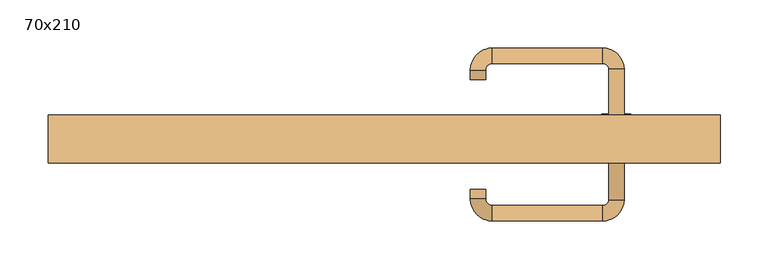
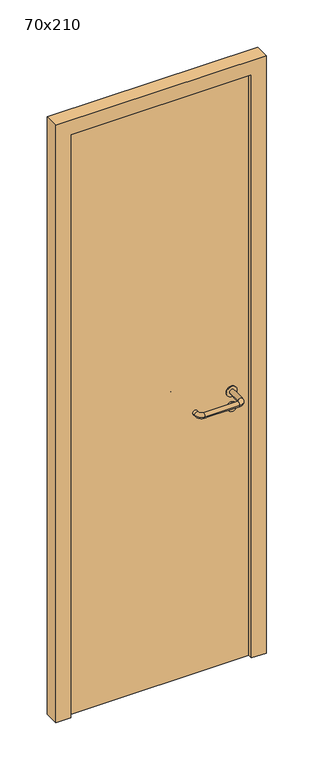
"""IFC4 building model written with IfcOpenShell, lengths in millimetres: door geometry, 70x210."""

from ifc_helpers import new_model, si_unit, point, frame, frame_2d, origin, origin_with_axes, place, context, project, spatial, polyline, circle_curve, ellipse_curve, trimmed, segment, composite_curve, outline, extrude, source, transform, mapped, element, save
from ifc_brep_helpers import plane_surface, cylinder_surface, revolved_surface, advanced_brep


def door_70x210_496524dd(model_context):
    return source(origin(), model_context, "Body", "SolidModel", [
        extrude(outline(composite_curve([segment(trimmed(circle_curve(frame_2d((897.3605726, 242.0)), 15.0), [point((897.3605726, 257.0))], [point((897.3605726, 227.0))], False, "CARTESIAN"), True, "CONTINUOUS"), segment(trimmed(circle_curve(frame_2d((897.3605726, 242.0)), 15.0), [point((897.3605726, 227.0))], [point((897.3605726, 257.0))], False, "CARTESIAN"), True, "CONTINUOUS")], self_intersect=False), holes=[composite_curve([segment(trimmed(circle_curve(frame_2d((892.5833211, 241.9398032)), 2.0), [point((892.5833211, 243.9398032))], [point((892.5833211, 239.9398032))], True, "CARTESIAN"), True, "CONTINUOUS"), segment(polyline([(892.5833211, 239.9398032), (902.5833211, 239.9398032)]), True, "CONTINUOUS"), segment(trimmed(circle_curve(frame_2d((902.5833211, 241.9398032)), 2.0), [point((902.5833211, 239.9398032))], [point((902.5833211, 243.9398032))], True, "CARTESIAN"), True, "CONTINUOUS"), segment(polyline([(902.5833211, 243.9398032), (892.5833211, 243.9398032)]), True, "CONTINUOUS")], self_intersect=False)]), frame((0.0, 33.65, 0.0), z_axis=(0.0, 1.0, 0.0), x_axis=(0.0, 0.0, 1.0)), (0.0, 0.0, 1.0), 6.35),
        extrude(outline(composite_curve([segment(trimmed(circle_curve(frame_2d((950.0, 242.0)), 17.526), [point((950.0, 259.526))], [point((950.0, 224.474))], False, "CARTESIAN"), True, "CONTINUOUS"), segment(trimmed(circle_curve(frame_2d((950.0, 242.0)), 17.526), [point((950.0, 224.474))], [point((950.0, 259.526))], False, "CARTESIAN"), True, "CONTINUOUS")], self_intersect=False)), frame((0.0, 36.825, 0.0), z_axis=(0.0, 1.0, 0.0), x_axis=(0.0, 0.0, 1.0)), (0.0, 0.0, 1.0), 3.175),
        advanced_brep(
        [(250.0, 40.0, 950.0), (234.0, 40.0, 950.0), (234.0, -13.0, 950.0), (250.0, -13.0, 950.0), (227.8578644, -19.1421356, 950.0), (227.8578644, -35.1421356, 950.0), (112.8578644, -19.1421356, 950.0), (112.8578644, -35.1421356, 950.0), (106.008622, -12.2928932, 950.0), (90.008622, -12.2928932, 950.0), (90.008622, -2.2928932, 950.0), (106.008622, -2.2928932, 950.0)],
        [
            (0, 1, circle_curve(frame((242.0, 40.0, 950.0), z_axis=(0.0, 1.0, 0.0), x_axis=(-1.0, 0.0, 0.0)), 8.0)),
            (1, 0, circle_curve(frame((242.0, 40.0, 950.0), z_axis=(0.0, 1.0, 0.0), x_axis=(-1.0, 0.0, 0.0)), 8.0)),
            (1, 2),
            (2, 3, circle_curve(frame((242.0, -13.0, 950.0), z_axis=(0.0, 1.0, 0.0), x_axis=(-1.0, 0.0, 0.0)), 8.0)),
            (3, 0),
            (3, 2, circle_curve(frame((242.0, -13.0, 950.0), z_axis=(0.0, 1.0, 0.0), x_axis=(-1.0, 0.0, 0.0)), 8.0)),
            (4, 5, circle_curve(frame((227.8578644, -27.1421356, 950.0), z_axis=(1.0, 0.0, 0.0), x_axis=(0.0, 1.0, 0.0)), 8.0)),
            (5, 3, circle_curve(frame((227.8578644, -13.0, 950.0), z_axis=(0.0, 0.0, 1.0), x_axis=(1.0, 0.0, 0.0)), 22.1421356)),
            (2, 4, circle_curve(frame((227.8578644, -13.0, 950.0), z_axis=(0.0, 0.0, -1.0), x_axis=(1.0, 0.0, 0.0)), 6.1421356)),
            (5, 4, circle_curve(frame((227.8578644, -27.1421356, 950.0), z_axis=(1.0, 0.0, 0.0), x_axis=(0.0, 1.0, 0.0)), 8.0)),
            (4, 6),
            (6, 7, circle_curve(frame((112.8578644, -27.1421356, 950.0), z_axis=(1.0, 0.0, 0.0), x_axis=(0.0, 1.0, 0.0)), 8.0)),
            (7, 5),
            (7, 6, circle_curve(frame((112.8578644, -27.1421356, 950.0), z_axis=(1.0, 0.0, 0.0), x_axis=(0.0, 1.0, 0.0)), 8.0)),
            (8, 9, circle_curve(frame((98.008622, -12.2928932, 950.0), z_axis=(0.0, -1.0, 0.0), x_axis=(1.0, 0.0, 0.0)), 8.0)),
            (9, 7, circle_curve(frame((112.8578644, -12.2928932, 950.0), z_axis=(0.0, 0.0, 1.0), x_axis=(0.0, -1.0, 0.0)), 22.8492424)),
            (6, 8, circle_curve(frame((112.8578644, -12.2928932, 950.0), z_axis=(0.0, 0.0, -1.0), x_axis=(0.0, -1.0, 0.0)), 6.8492424)),
            (9, 8, circle_curve(frame((98.008622, -12.2928932, 950.0), z_axis=(0.0, -1.0, 0.0), x_axis=(1.0, 0.0, 0.0)), 8.0)),
            (10, 11, circle_curve(frame((98.008622, -2.2928932, 950.0), z_axis=(0.0, 1.0, 0.0), x_axis=(1.0, 0.0, 0.0)), 8.0)),
            (11, 10, circle_curve(frame((98.008622, -2.2928932, 950.0), z_axis=(0.0, 1.0, 0.0), x_axis=(1.0, 0.0, 0.0)), 8.0)),
            (8, 11),
            (10, 9),
        ],
        [
            plane_surface(frame((242.0, 40.0, 170.0), z_axis=(0.0, 1.0, 0.0), x_axis=(0.0, 0.0, 1.0))),
            cylinder_surface(frame((242.0, 40.0, 950.0), z_axis=(0.0, 1.0, 0.0), x_axis=(-1.0, 0.0, 0.0)), 8.0),
            revolved_surface(trimmed(ellipse_curve(frame((242.0, -13.0, 950.0), z_axis=(0.0, -1.0, 0.0), x_axis=(-1.0, 0.0, 0.0)), 8.0, 8.0), [point((250.0, -13.0, 950.0))], [point((234.0, -13.0, 950.0))], True, "CARTESIAN"), (227.8578644, -13.0, 170.0), (0.0, 0.0, 1.0)),
            revolved_surface(trimmed(ellipse_curve(frame((242.0, -13.0, 950.0), z_axis=(0.0, -1.0, 0.0), x_axis=(-1.0, 0.0, 0.0)), 8.0, 8.0), [point((234.0, -13.0, 950.0))], [point((250.0, -13.0, 950.0))], True, "CARTESIAN"), (227.8578644, -13.0, 170.0), (0.0, 0.0, 1.0)),
            cylinder_surface(frame((227.8578644, -27.1421356, 950.0), z_axis=(1.0, 0.0, 0.0), x_axis=(0.0, 1.0, 0.0)), 8.0),
            revolved_surface(trimmed(ellipse_curve(frame((112.8578644, -27.1421356, 950.0), z_axis=(-1.0, 0.0, 0.0), x_axis=(0.0, 1.0, 0.0)), 8.0, 8.0), [point((112.8578644, -35.1421356, 950.0))], [point((112.8578644, -19.1421356, 950.0))], True, "CARTESIAN"), (112.8578644, -12.2928932, 170.0), (0.0, 0.0, 1.0)),
            revolved_surface(trimmed(ellipse_curve(frame((112.8578644, -27.1421356, 950.0), z_axis=(-1.0, 0.0, 0.0), x_axis=(0.0, 1.0, 0.0)), 8.0, 8.0), [point((112.8578644, -19.1421356, 950.0))], [point((112.8578644, -35.1421356, 950.0))], True, "CARTESIAN"), (112.8578644, -12.2928932, 170.0), (0.0, 0.0, 1.0)),
            plane_surface(frame((98.008622, -2.2928932, 170.0), z_axis=(0.0, 1.0, 0.0), x_axis=(0.0, 0.0, 1.0))),
            cylinder_surface(frame((98.008622, -12.2928932, 950.0), z_axis=(0.0, -1.0, 0.0), x_axis=(1.0, 0.0, 0.0)), 8.0),
        ],
        [
            (0, [[1, 2]]),
            (1, [[3, 4, 5, -2]]),
            (1, [[-5, 6, -3, -1]]),
            (2, [[7, 8, -4, 9]]),
            (3, [[10, -9, -6, -8]]),
            (4, [[11, 12, 13, -7]]),
            (4, [[-13, 14, -11, -10]]),
            (5, [[15, 16, -12, 17]]),
            (6, [[18, -17, -14, -16]]),
            (7, [[19, 20]]),
            (8, [[21, -19, 22, -15]]),
            (8, [[-22, -20, -21, -18]]),
        ],
    ),
        extrude(outline(composite_curve([segment(trimmed(circle_curve(frame_2d((0.0, -15.0)), 15.0), [point((0.0, -30.0))], [point((0.0, 0.0))], False, "CARTESIAN"), True, "CONTINUOUS"), segment(trimmed(circle_curve(frame_2d((0.0, -15.0)), 15.0), [point((0.0, 0.0))], [point((0.0, -30.0))], False, "CARTESIAN"), True, "CONTINUOUS")], self_intersect=False), holes=[composite_curve([segment(trimmed(circle_curve(frame_2d((4.7772515, -14.9398032)), 2.0), [point((4.7772515, -16.9398032))], [point((4.7772515, -12.9398032))], True, "CARTESIAN"), True, "CONTINUOUS"), segment(polyline([(4.7772515, -12.9398032), (-5.2227485, -12.9398032)]), True, "CONTINUOUS"), segment(trimmed(circle_curve(frame_2d((-5.2227485, -14.9398032)), 2.0), [point((-5.2227485, -12.9398032))], [point((-5.2227485, -16.9398032))], True, "CARTESIAN"), True, "CONTINUOUS"), segment(polyline([(-5.2227485, -16.9398032), (4.7772515, -16.9398032)]), True, "CONTINUOUS")], self_intersect=False)]), frame((227.0, 70.0, 897.3605726), z_axis=(1.8870575173328306e-12, 1.0, 0.0), x_axis=(0.0, 0.0, -1.0)), (0.0, 0.0, 1.0), 6.35),
        extrude(outline(composite_curve([segment(trimmed(circle_curve(frame_2d((0.0, -17.526)), 17.526), [point((0.0, -35.052))], [point((0.0, 0.0))], False, "CARTESIAN"), True, "CONTINUOUS"), segment(trimmed(circle_curve(frame_2d((0.0, -17.526)), 17.526), [point((0.0, 0.0))], [point((0.0, -35.052))], False, "CARTESIAN"), True, "CONTINUOUS")], self_intersect=False)), frame((224.474, 70.0, 950.0), z_axis=(1.8870575173328306e-12, 1.0, 0.0), x_axis=(0.0, 0.0, -1.0)), (0.0, 0.0, 1.0), 3.175),
        advanced_brep(
        [(250.0, 70.0, 950.0), (234.0, 70.0, 950.0), (250.0, 123.0, 950.0), (234.0, 123.0, 950.0), (227.8578644, 129.1421356, 950.0), (227.8578644, 145.1421356, 950.0), (112.8578644, 145.1421356, 950.0), (112.8578644, 129.1421356, 950.0), (106.008622, 122.2928932, 950.0), (90.008622, 122.2928932, 950.0), (90.008622, 112.2928932, 950.0), (106.008622, 112.2928932, 950.0)],
        [
            (0, 1, circle_curve(frame((242.0, 70.0, 950.0), z_axis=(-1.888672253512351e-12, -1.0, 0.0), x_axis=(-1.0, 1.888672253512351e-12, 0.0)), 8.0)),
            (1, 0, circle_curve(frame((242.0, 70.0, 950.0), z_axis=(-1.888672253512351e-12, -1.0, 0.0), x_axis=(-1.0, 1.888672253512351e-12, 0.0)), 8.0)),
            (0, 2),
            (2, 3, circle_curve(frame((242.0, 123.0, 950.0), z_axis=(-1.888672253512351e-12, -1.0, 0.0), x_axis=(-1.0, 1.888672253512351e-12, 0.0)), 8.0)),
            (3, 1),
            (3, 2, circle_curve(frame((242.0, 123.0, 950.0), z_axis=(-1.888672253512351e-12, -1.0, 0.0), x_axis=(-1.0, 1.888672253512351e-12, 0.0)), 8.0)),
            (4, 3, circle_curve(frame((227.8578644, 123.0, 950.0), z_axis=(0.0, 0.0, -1.0), x_axis=(1.0, -1.880717803715015e-12, 0.0)), 6.1421356)),
            (2, 5, circle_curve(frame((227.8578644, 123.0, 950.0), z_axis=(0.0, 0.0, 1.0), x_axis=(1.0, -1.880717803715015e-12, 0.0)), 22.1421356)),
            (5, 4, circle_curve(frame((227.8578644, 137.1421356, 950.0), z_axis=(1.0, -1.913702061528922e-12, 0.0), x_axis=(-1.913702061528922e-12, -1.0, 0.0)), 8.0)),
            (4, 5, circle_curve(frame((227.8578644, 137.1421356, 950.0), z_axis=(1.0, -1.913702061528922e-12, 0.0), x_axis=(-1.913702061528922e-12, -1.0, 0.0)), 8.0)),
            (5, 6),
            (6, 7, circle_curve(frame((112.8578644, 137.1421356, 950.0), z_axis=(1.0, -1.913719828541269e-12, 0.0), x_axis=(-1.913719828541269e-12, -1.0, 0.0)), 8.0)),
            (7, 4),
            (7, 6, circle_curve(frame((112.8578644, 137.1421356, 950.0), z_axis=(1.0, -1.913719828541269e-12, 0.0), x_axis=(-1.913719828541269e-12, -1.0, 0.0)), 8.0)),
            (8, 7, circle_curve(frame((112.8578644, 122.2928932, 950.0), z_axis=(0.0, 0.0, -1.0), x_axis=(1.9120873253494017e-12, 1.0, 0.0)), 6.8492424)),
            (6, 9, circle_curve(frame((112.8578644, 122.2928932, 950.0), z_axis=(0.0, 0.0, 1.0), x_axis=(1.9120873253494017e-12, 1.0, 0.0)), 22.8492424)),
            (9, 8, circle_curve(frame((98.008622, 122.2928932, 950.0), z_axis=(1.890670654956676e-12, 1.0, 0.0), x_axis=(1.0, -1.890670654956676e-12, 0.0)), 8.0)),
            (8, 9, circle_curve(frame((98.008622, 122.2928932, 950.0), z_axis=(1.890226565746826e-12, 1.0, 0.0), x_axis=(1.0, -1.890226565746826e-12, 0.0)), 8.0)),
            (10, 11, circle_curve(frame((98.008622, 112.2928932, 950.0), z_axis=(-1.8903642334018795e-12, -1.0, 0.0), x_axis=(1.0, -1.8903642334018795e-12, 0.0)), 8.0)),
            (11, 10, circle_curve(frame((98.008622, 112.2928932, 950.0), z_axis=(-1.8903642334018795e-12, -1.0, 0.0), x_axis=(1.0, -1.8903642334018795e-12, 0.0)), 8.0)),
            (9, 10),
            (11, 8),
        ],
        [
            plane_surface(frame((242.0, 70.0, 170.0), z_axis=(-1.8870575173328306e-12, -1.0, 0.0), x_axis=(0.0, 0.0, 1.0))),
            cylinder_surface(frame((242.0, 70.0, 950.0), z_axis=(-1.888672253512351e-12, -1.0, 0.0), x_axis=(-1.0, 1.888672253512351e-12, 0.0)), 8.0),
            revolved_surface(trimmed(ellipse_curve(frame((242.0, 123.0, 950.0), z_axis=(-1.8823325398945356e-12, -1.0, 0.0), x_axis=(-1.0, 1.8823325398945356e-12, 0.0)), 8.0, 8.0), [point((250.0, 123.0, 950.0))], [point((234.0, 123.0, 950.0))], True, "CARTESIAN"), (227.8578644, 123.0, 170.0), (0.0, 0.0, 1.0)),
            revolved_surface(trimmed(ellipse_curve(frame((242.0, 123.0, 950.0), z_axis=(-1.8823325398945356e-12, -1.0, 0.0), x_axis=(-1.0, 1.8823325398945356e-12, 0.0)), 8.0, 8.0), [point((234.0, 123.0, 950.0))], [point((250.0, 123.0, 950.0))], True, "CARTESIAN"), (227.8578644, 123.0, 170.0), (0.0, 0.0, 1.0)),
            cylinder_surface(frame((227.8578644, 137.1421356, 950.0), z_axis=(1.0, -1.913719828541269e-12, 0.0), x_axis=(-1.913719828541269e-12, -1.0, 0.0)), 8.0),
            revolved_surface(trimmed(ellipse_curve(frame((112.8578644, 137.1421356, 950.0), z_axis=(1.0, -1.913702061528922e-12, 0.0), x_axis=(-1.913702061528922e-12, -1.0, 0.0)), 8.0, 8.0), [point((112.8578644, 145.1421356, 950.0))], [point((112.8578644, 129.1421356, 950.0))], True, "CARTESIAN"), (112.8578644, 122.2928932, 170.0), (0.0, 0.0, 1.0)),
            revolved_surface(trimmed(ellipse_curve(frame((112.8578644, 137.1421356, 950.0), z_axis=(1.0, -1.913702061528922e-12, 0.0), x_axis=(-1.913702061528922e-12, -1.0, 0.0)), 8.0, 8.0), [point((112.8578644, 129.1421356, 950.0))], [point((112.8578644, 145.1421356, 950.0))], True, "CARTESIAN"), (112.8578644, 122.2928932, 170.0), (0.0, 0.0, 1.0)),
            plane_surface(frame((98.008622, 112.2928932, 170.0), z_axis=(-1.8887494972223595e-12, -1.0, 0.0), x_axis=(0.0, 0.0, 1.0))),
            cylinder_surface(frame((98.008622, 122.2928932, 950.0), z_axis=(1.8903642334018795e-12, 1.0, 0.0), x_axis=(1.0, -1.8903642334018795e-12, 0.0)), 8.0),
        ],
        [
            (0, [[1, 2]]),
            (1, [[-1, 3, 4, 5]]),
            (1, [[-2, -5, 6, -3]]),
            (2, [[7, -4, 8, 9]]),
            (3, [[-8, -6, -7, 10]]),
            (4, [[-9, 11, 12, 13]]),
            (4, [[-10, -13, 14, -11]]),
            (5, [[15, -12, 16, 17]]),
            (6, [[-16, -14, -15, 18]]),
            (7, [[19, 20]]),
            (8, [[-17, 21, -20, 22]]),
            (8, [[-18, -22, -19, -21]]),
        ],
    ),
        extrude(outline(polyline([(2050.0, 300.0), (0.0, 300.0), (0.0, 350.0), (2100.0, 350.0), (2100.0, -350.0), (0.0, -350.0), (0.0, -300.0), (2050.0, -300.0), (2050.0, 300.0)])), frame((0.0, 25.0, 0.0), z_axis=(0.0, 1.0, 0.0), x_axis=(0.0, 0.0, 1.0)), (0.0, 0.0, 1.0), 50.0),
        extrude(outline(polyline([(-300.0, 70.0), (300.0, 70.0), (300.0, 40.0), (-300.0, 40.0), (-300.0, 70.0)])), origin_with_axes(), (0.0, 0.0, 1.0), 2050.0),
    ])


if __name__ == "__main__":
    model = new_model("IFC4")
    model_context = context("Model", 3, world=origin())
    ifc_project = project(units=[si_unit("LENGTHUNIT", "METRE", prefix="MILLI")], contexts=[model_context])
    site = spatial("IfcSite", under=ifc_project)
    building = spatial("IfcBuilding", under=site)
    placement = place(None, origin())
    door_70x210_shape = door_70x210_496524dd(model_context)
    element("IfcDoor", 1, ObjectType="70x210", at=placement, inside=building, context=model_context, shape_type="MappedRepresentation", body=[
        mapped(door_70x210_shape, transform((0.0, 0.0, 0.0), x_axis=(1.0, 0.0, 0.0), y_axis=(0.0, 1.0, 0.0), z_axis=(0.0, 0.0, 1.0))),
    ])
    save(model, "model.ifc")
